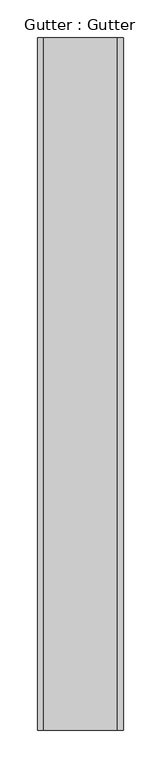
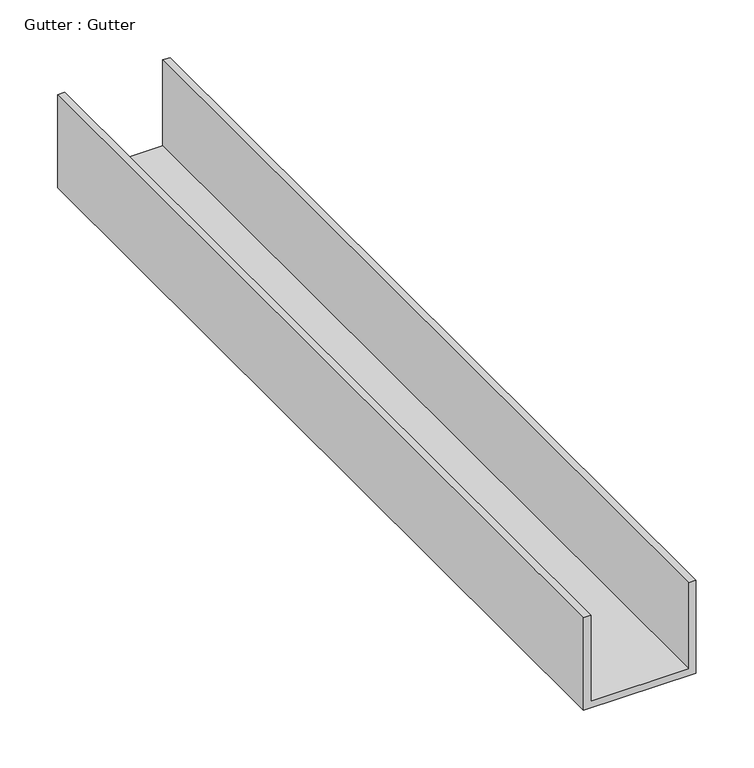
"""IFC4 building model written with IfcOpenShell, lengths in millimetres: proxy geometry, Gutter : Gutter."""

from ifc_helpers import new_model, si_unit, frame, origin, place, context, project, spatial, polyline, outline, extrude, source, transform, mapped, element, save


def gutter_gutter_e1405447(model_context):
    return source(origin(), model_context, "Body", "SweptSolid", [
        extrude(outline(polyline([(2819.9778175, 39115.2931018), (2911.112207, 39115.2931018), (2911.112207, 39107.9298206), (2812.6145362, 39107.9298206), (2812.6145362, 39221.1016956), (2911.112207, 39221.1016956), (2911.112207, 39213.7384144), (2819.9778175, 39213.7384144), (2819.9778175, 39115.2931018)])), frame((0.0, -25196.3529946, 0.0), z_axis=(0.0, 1.0, 0.0), x_axis=(0.0, 0.0, 1.0)), (0.0, 0.0, 1.0), 914.4),
    ])


if __name__ == "__main__":
    model = new_model("IFC4")
    model_context = context("Model", 3, world=origin())
    ifc_project = project(units=[si_unit("LENGTHUNIT", "METRE", prefix="MILLI")], contexts=[model_context])
    site = spatial("IfcSite", under=ifc_project)
    building = spatial("IfcBuilding", under=site)
    placement = place(None, origin())
    gutter_gutter_shape = gutter_gutter_e1405447(model_context)
    element("IfcBuildingElementProxy", 1, Name="Gutter : Gutter", ObjectType="Gutter : Gutter", at=placement, inside=building, context=model_context, shape_type="MappedRepresentation", body=[
        mapped(gutter_gutter_shape, transform((0.0, 0.0, 0.0), x_axis=(1.0, 0.0, 0.0), y_axis=(0.0, 1.0, 0.0), z_axis=(0.0, 0.0, 1.0))),
    ])
    save(model, "model.ifc")
